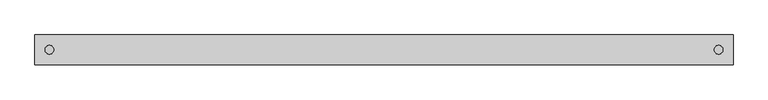
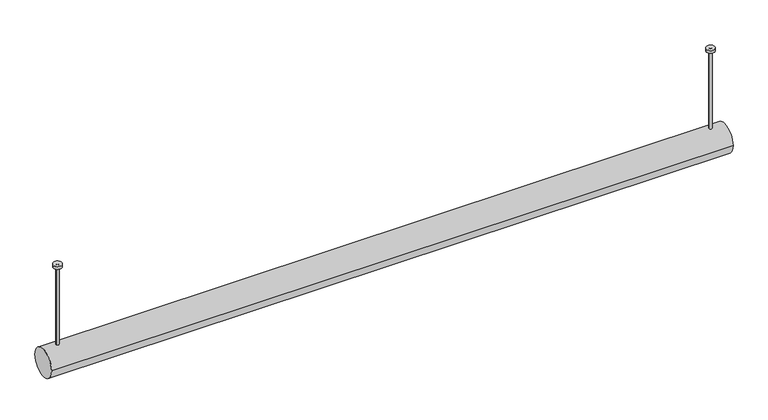
"""IFC4 building model written with IfcOpenShell, lengths in millimetres: light fixture geometry."""

from ifc_helpers import new_model, si_unit, point, frame, frame_2d, origin, place, context, project, spatial, polyline, circle_curve, trimmed, segment, composite_curve, outline, extrude, source, transform, mapped, element, save
from ifc_brep_helpers import plane_surface, cylinder_surface, advanced_brep


def light_fixture_d26fbcd4(model_context):
    return source(origin(), model_context, "Body", "SolidModel", [
        advanced_brep(
        [(1200.0, -51.0, -351.0), (1200.0, 51.0, -351.0), (-1200.0, -51.0, -351.0), (-1200.0, 51.0, -351.0), (1170.0, -25.0, -395.4522215), (1170.0, 0.0, -402.0), (1170.0, 25.0, -395.4522215), (-1170.0, 25.0, -395.4522215), (-1170.0, 0.0, -402.0), (-1170.0, -25.0, -395.4522215), (1170.0, -25.0, -377.0), (1170.0, 25.0, -377.0), (-1170.0, 25.0, -377.0), (-1170.0, -25.0, -377.0)],
        [
            (0, 1, circle_curve(frame((1200.0, 0.0, -351.0), z_axis=(1.0, 0.0, 0.0), x_axis=(0.0, 1.0, 0.0)), 51.0)),
            (1, 0, circle_curve(frame((1200.0, 0.0, -351.0), z_axis=(1.0, 0.0, 0.0), x_axis=(0.0, 1.0, 0.0)), 51.0)),
            (2, 3, circle_curve(frame((-1200.0, 0.0, -351.0), z_axis=(-1.0, 0.0, 0.0), x_axis=(0.0, 1.0, 0.0)), 51.0)),
            (3, 2, circle_curve(frame((-1200.0, 0.0, -351.0), z_axis=(-1.0, 0.0, 0.0), x_axis=(0.0, 1.0, 0.0)), 51.0)),
            (0, 2),
            (3, 1),
            (4, 5, circle_curve(frame((1170.0, 0.0, -351.0), z_axis=(1.0, 0.0, 0.0), x_axis=(0.0, 1.0, 0.0)), 51.0)),
            (5, 6, circle_curve(frame((1170.0, 0.0, -351.0), z_axis=(1.0, 0.0, 0.0), x_axis=(0.0, 1.0, 0.0)), 51.0)),
            (6, 7),
            (7, 8, circle_curve(frame((-1170.0, 0.0, -351.0), z_axis=(-1.0, 0.0, 0.0), x_axis=(0.0, 1.0, 0.0)), 51.0)),
            (8, 9, circle_curve(frame((-1170.0, 0.0, -351.0), z_axis=(-1.0, 0.0, 0.0), x_axis=(0.0, 1.0, 0.0)), 51.0)),
            (9, 4),
            (10, 11),
            (11, 6),
            (4, 10),
            (12, 13),
            (13, 9),
            (7, 12),
            (11, 12),
            (10, 13),
        ],
        [
            plane_surface(frame((1200.0, 51.0, -351.0), z_axis=(1.0, 0.0, 0.0), x_axis=(0.0, 0.0, 1.0))),
            plane_surface(frame((-1200.0, 51.0, -351.0), z_axis=(-1.0, 0.0, 0.0), x_axis=(0.0, 0.0, -1.0))),
            cylinder_surface(frame((-1200.0, 0.0, -351.0), z_axis=(1.0, 0.0, 0.0), x_axis=(0.0, 1.0, 0.0)), 51.0),
            plane_surface(frame((1170.0, 0.0, -402.0), z_axis=(-1.0, 0.0, 0.0), x_axis=(0.0, 1.0, 0.0))),
            plane_surface(frame((-1170.0, 0.0, -402.0), z_axis=(1.0, 0.0, 0.0), x_axis=(0.0, -1.0, 0.0))),
            plane_surface(frame((1170.0, 25.0, -402.0), z_axis=(0.0, -1.0, 0.0), x_axis=(-1.0, 0.0, 0.0))),
            plane_surface(frame((1170.0, 25.0, -377.0), z_axis=(0.0, 0.0, -1.0), x_axis=(-1.0, 0.0, 0.0))),
            plane_surface(frame((1170.0, -25.0, -377.0), z_axis=(0.0, 1.0, 0.0), x_axis=(-1.0, 0.0, 0.0))),
        ],
        [
            (0, [[1, 2]]),
            (1, [[3, 4]]),
            (2, [[-1, 5, -4, 6], [7, 8, 9, 10, 11, 12]]),
            (2, [[-2, -6, -3, -5]]),
            (3, [[13, 14, -8, -7, 15]]),
            (4, [[16, 17, -11, -10, 18]]),
            (5, [[19, -18, -9, -14]]),
            (6, [[-13, 20, -16, -19]]),
            (7, [[-20, -15, -12, -17]]),
        ],
    ),
        extrude(outline(composite_curve([segment(trimmed(circle_curve(frame_2d((1150.0, 0.0)), 15.0), [point((1135.0, 0.0))], [point((1165.0, 0.0))], False, "CARTESIAN"), True, "CONTINUOUS"), segment(trimmed(circle_curve(frame_2d((1150.0, 0.0)), 15.0), [point((1165.0, 0.0))], [point((1135.0, 0.0))], False, "CARTESIAN"), True, "CONTINUOUS")], self_intersect=False)), frame((0.0, 0.0, -10.0), z_axis=(0.0, 0.0, 1.0), x_axis=(1.0, 0.0, 0.0)), (0.0, 0.0, 1.0), 10.0),
        extrude(outline(composite_curve([segment(trimmed(circle_curve(frame_2d((-1150.0, 0.0)), 15.0), [point((-1165.0, 0.0))], [point((-1135.0, 0.0))], False, "CARTESIAN"), True, "CONTINUOUS"), segment(trimmed(circle_curve(frame_2d((-1150.0, 0.0)), 15.0), [point((-1135.0, 0.0))], [point((-1165.0, 0.0))], False, "CARTESIAN"), True, "CONTINUOUS")], self_intersect=False)), frame((0.0, 0.0, -10.0), z_axis=(0.0, 0.0, 1.0), x_axis=(1.0, 0.0, 0.0)), (0.0, 0.0, 1.0), 10.0),
        extrude(outline(composite_curve([segment(trimmed(circle_curve(frame_2d((1150.0, 0.0)), 5.0), [point((1145.0, 0.0))], [point((1155.0, 0.0))], False, "CARTESIAN"), True, "CONTINUOUS"), segment(trimmed(circle_curve(frame_2d((1150.0, 0.0)), 5.0), [point((1155.0, 0.0))], [point((1145.0, 0.0))], False, "CARTESIAN"), True, "CONTINUOUS")], self_intersect=False)), frame((0.0, 0.0, -300.0), z_axis=(0.0, 0.0, 1.0), x_axis=(1.0, 0.0, 0.0)), (0.0, 0.0, 1.0), 300.0),
        extrude(outline(composite_curve([segment(trimmed(circle_curve(frame_2d((-1150.0, 0.0)), 5.0), [point((-1155.0, 0.0))], [point((-1145.0, 0.0))], False, "CARTESIAN"), True, "CONTINUOUS"), segment(trimmed(circle_curve(frame_2d((-1150.0, 0.0)), 5.0), [point((-1145.0, 0.0))], [point((-1155.0, 0.0))], False, "CARTESIAN"), True, "CONTINUOUS")], self_intersect=False)), frame((0.0, 0.0, -300.0), z_axis=(0.0, 0.0, 1.0), x_axis=(1.0, 0.0, 0.0)), (0.0, 0.0, 1.0), 300.0),
        extrude(outline(polyline([(-25.0, -389.0), (-25.0, -377.0), (25.0, -377.0), (25.0, -389.0), (0.0, -389.0), (-25.0, -389.0)])), frame((-1170.0, 0.0, 0.0), z_axis=(1.0, 0.0, 0.0), x_axis=(0.0, 1.0, 0.0)), (0.0, 0.0, 1.0), 2340.0),
    ])


if __name__ == "__main__":
    model = new_model("IFC4")
    model_context = context("Model", 3, world=origin())
    ifc_project = project(units=[si_unit("LENGTHUNIT", "METRE", prefix="MILLI")], contexts=[model_context])
    site = spatial("IfcSite", under=ifc_project)
    building = spatial("IfcBuilding", under=site)
    placement = place(None, origin())
    light_fixture_shape = light_fixture_d26fbcd4(model_context)
    element("IfcLightFixture", 1, at=placement, inside=building, context=model_context, shape_type="MappedRepresentation", body=[
        mapped(light_fixture_shape, transform((0.0, 0.0, 0.0), x_axis=(1.0, 0.0, 0.0), y_axis=(0.0, 1.0, 0.0), z_axis=(0.0, 0.0, 1.0))),
    ])
    save(model, "model.ifc")
